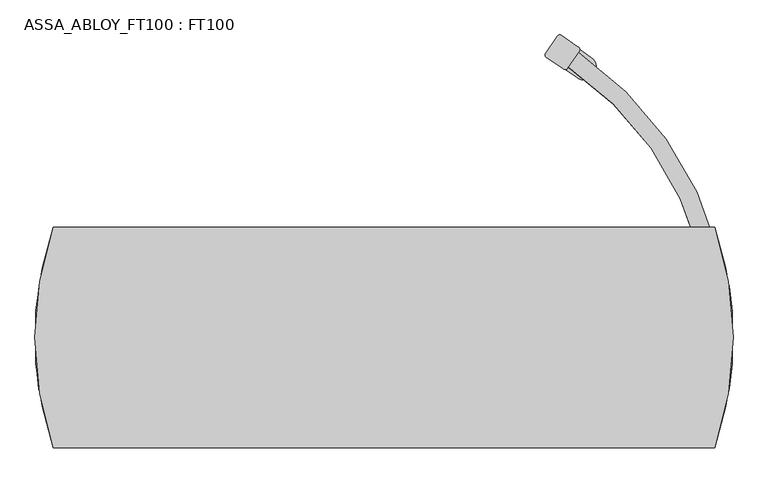
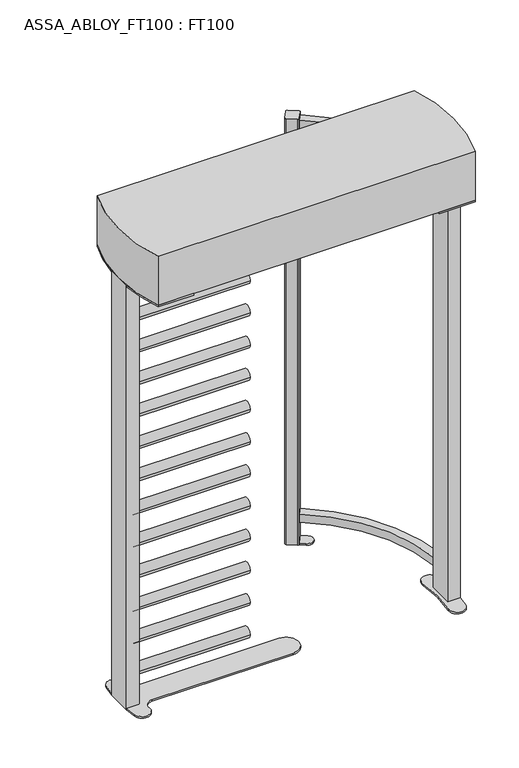
"""IFC4 building model written with IfcOpenShell, lengths in millimetres: proxy geometry, ASSA_ABLOY_FT100 : FT100."""

from ifc_helpers import new_model, si_unit, point, frame, frame_2d, origin, origin_with_axes, origin_2d, place, context, project, spatial, polyline, circle_curve, trimmed, segment, composite_curve, outline, extrude, source, transform, mapped, element, save


def assa_abloy_ft100_ft100_afc9a57b(model_context):
    return source(origin(), model_context, "Body", "SweptSolid", [
        extrude(outline(composite_curve([segment(polyline([(418.0774898, 613.5685405), (440.6012269, 646.6242702)]), True, "CONTINUOUS"), segment(trimmed(circle_curve(origin_2d(), 782.4655826), [point((440.6012269, 646.6242702))], [point((780.1617704, 60.0))], False, "CARTESIAN"), True, "CONTINUOUS"), segment(polyline([(780.1617704, 60.0), (740.0372567, 60.0)]), True, "CONTINUOUS"), segment(trimmed(circle_curve(origin_2d(), 742.4655826), [point((740.0372567, 60.0))], [point((418.0774898, 613.5685405))], True, "CARTESIAN"), True, "CONTINUOUS")], self_intersect=False)), frame((0.0, 0.0, 108.5), z_axis=(0.0, 0.0, 1.0), x_axis=(1.0, 0.0, 0.0)), (0.0, 0.0, 1.0), 40.0),
        extrude(outline(composite_curve([segment(polyline([(418.0774898, 613.5685405), (440.6012269, 646.6242702)]), True, "CONTINUOUS"), segment(trimmed(circle_curve(origin_2d(), 782.4655826), [point((440.6012269, 646.6242702))], [point((780.1617704, 60.0))], False, "CARTESIAN"), True, "CONTINUOUS"), segment(polyline([(780.1617704, 60.0), (740.0372567, 60.0)]), True, "CONTINUOUS"), segment(trimmed(circle_curve(origin_2d(), 742.4655826), [point((740.0372567, 60.0))], [point((418.0774898, 613.5685405))], True, "CARTESIAN"), True, "CONTINUOUS")], self_intersect=False)), frame((0.0, 0.0, 2077.0), z_axis=(0.0, 0.0, 1.0), x_axis=(1.0, 0.0, 0.0)), (0.0, 0.0, 1.0), 40.0),
        extrude(outline(composite_curve([segment(polyline([(401.9204923, 685.0022278), (440.9063153, 658.4378035)]), True, "CONTINUOUS"), segment(trimmed(circle_curve(frame_2d((437.3025174, 653.1488868)), 6.4), [point((440.9063153, 658.4378035))], [point((442.5914341, 649.5450888))], False, "CARTESIAN"), True, "CONTINUOUS"), segment(polyline([(442.5914341, 649.5450888), (416.0134244, 610.5393278)]), True, "CONTINUOUS"), segment(trimmed(circle_curve(frame_2d((410.7245076, 614.1431257)), 6.4), [point((416.0134244, 610.5393278))], [point((407.1207097, 608.854209))], False, "CARTESIAN"), True, "CONTINUOUS"), segment(polyline([(407.1207097, 608.854209), (368.1348866, 635.4186332)]), True, "CONTINUOUS"), segment(trimmed(circle_curve(frame_2d((371.7386846, 640.70755)), 6.4), [point((368.1348866, 635.4186332))], [point((366.4497678, 644.3113479))], False, "CARTESIAN"), True, "CONTINUOUS"), segment(polyline([(366.4497678, 644.3113479), (393.0277776, 683.317109)]), True, "CONTINUOUS"), segment(trimmed(circle_curve(frame_2d((398.3166943, 679.7133111)), 6.4), [point((393.0277776, 683.317109))], [point((401.9204923, 685.0022278))], False, "CARTESIAN"), True, "CONTINUOUS")], self_intersect=False)), origin_with_axes(), (0.0, 0.0, 1.0), 2130.0),
        extrude(outline(composite_curve([segment(polyline([(413.4988841, 606.8490005), (445.0321161, 653.1270221)]), True, "CONTINUOUS"), segment(trimmed(circle_curve(frame_2d((-0.0170756, -0.0250601)), 790.3647421), [point((445.0321161, 653.1270221))], [point((470.3897449, 635.1078778))], False, "CARTESIAN"), True, "CONTINUOUS"), segment(trimmed(circle_curve(frame_2d((453.7247922, 612.6072255)), 28.0), [point((470.3897449, 635.1078778))], [point((437.0598396, 590.1065732))], False, "CARTESIAN"), True, "CONTINUOUS"), segment(trimmed(circle_curve(frame_2d((-0.0170756, -0.0250601)), 734.3647421), [point((437.0598396, 590.1065732))], [point((413.4988841, 606.8490005))], True, "CARTESIAN"), True, "CONTINUOUS")], self_intersect=False)), origin_with_axes(), (0.0, 0.0, 1.0), 8.0),
        extrude(outline(polyline([(-790.0, 60.0), (-730.0, 60.0), (-730.0, -60.0), (-790.0, -60.0), (-790.0, 60.0)])), origin_with_axes(), (0.0, 0.0, 1.0), 2125.0),
        extrude(outline(composite_curve([segment(polyline([(-730.0, 60.0), (-789.5173279, 60.0)]), True, "CONTINUOUS"), segment(trimmed(circle_curve(frame_2d((-377.6697725, 40.0548858)), 412.3302275), [point((-789.5173279, 60.0))], [point((-782.6679317, 117.4674657))], False, "CARTESIAN"), True, "CONTINUOUS"), segment(trimmed(circle_curve(frame_2d((-744.9962379, 110.0240943)), 38.4000039), [point((-782.6679317, 117.4674657))], [point((-707.057831, 104.0879695))], False, "CARTESIAN"), True, "CONTINUOUS"), segment(trimmed(circle_curve(frame_2d((-669.3317737, 98.1850705)), 38.1850705), [point((-707.057831, 104.0879695))], [point((-669.3317737, 60.0))], True, "CARTESIAN"), True, "CONTINUOUS"), segment(polyline([(-669.3317737, 60.0), (0.0, 60.0)]), True, "CONTINUOUS"), segment(trimmed(circle_curve(origin_2d(), 60.0), [point((0.0, 60.0))], [point((0.0, -60.0))], False, "CARTESIAN"), True, "CONTINUOUS"), segment(polyline([(0.0, -60.0), (-669.3317737, -60.0)]), True, "CONTINUOUS"), segment(trimmed(circle_curve(frame_2d((-669.3317737, -98.1850705)), 38.1850705), [point((-669.3317737, -60.0))], [point((-707.0597086, -104.0759565))], True, "CARTESIAN"), True, "CONTINUOUS"), segment(trimmed(circle_curve(frame_2d((-745.0, -110.0)), 38.4), [point((-707.0597086, -104.0759565))], [point((-782.7222265, -117.1828705))], False, "CARTESIAN"), True, "CONTINUOUS"), segment(trimmed(circle_curve(frame_2d((-377.6697725, -40.0548858)), 412.3302275), [point((-782.7222265, -117.1828705))], [point((-789.5173279, -60.0))], False, "CARTESIAN"), True, "CONTINUOUS"), segment(polyline([(-789.5173279, -60.0), (-730.0, -60.0), (-730.0, 60.0)]), True, "CONTINUOUS")], self_intersect=False)), origin_with_axes(), (0.0, 0.0, 1.0), 8.0),
        extrude(outline(composite_curve([segment(trimmed(circle_curve(frame_2d((0.0, 143.0)), 25.5), [point((-25.5, 143.0))], [point((25.5, 143.0))], False, "CARTESIAN"), True, "CONTINUOUS"), segment(trimmed(circle_curve(frame_2d((0.0, 143.0)), 25.5), [point((25.5, 143.0))], [point((-25.5, 143.0))], False, "CARTESIAN"), True, "CONTINUOUS")], self_intersect=False)), frame((-730.0, 0.0, 0.0), z_axis=(1.0, 0.0, 0.0), x_axis=(0.0, 1.0, 0.0)), (0.0, 0.0, 1.0), 545.8),
        extrude(outline(composite_curve([segment(trimmed(circle_curve(frame_2d((0.0, 304.0)), 25.5), [point((-25.5, 304.0))], [point((25.5, 304.0))], False, "CARTESIAN"), True, "CONTINUOUS"), segment(trimmed(circle_curve(frame_2d((0.0, 304.0)), 25.5), [point((25.5, 304.0))], [point((-25.5, 304.0))], False, "CARTESIAN"), True, "CONTINUOUS")], self_intersect=False)), frame((-730.0, 0.0, 0.0), z_axis=(1.0, 0.0, 0.0), x_axis=(0.0, 1.0, 0.0)), (0.0, 0.0, 1.0), 545.8),
        extrude(outline(composite_curve([segment(trimmed(circle_curve(frame_2d((0.0, 465.0)), 25.5), [point((-25.5, 465.0))], [point((25.5, 465.0))], False, "CARTESIAN"), True, "CONTINUOUS"), segment(trimmed(circle_curve(frame_2d((0.0, 465.0)), 25.5), [point((25.5, 465.0))], [point((-25.5, 465.0))], False, "CARTESIAN"), True, "CONTINUOUS")], self_intersect=False)), frame((-730.0, 0.0, 0.0), z_axis=(1.0, 0.0, 0.0), x_axis=(0.0, 1.0, 0.0)), (0.0, 0.0, 1.0), 545.8),
        extrude(outline(composite_curve([segment(trimmed(circle_curve(frame_2d((0.0, 626.0)), 25.5), [point((-25.5, 626.0))], [point((25.5, 626.0))], False, "CARTESIAN"), True, "CONTINUOUS"), segment(trimmed(circle_curve(frame_2d((0.0, 626.0)), 25.5), [point((25.5, 626.0))], [point((-25.5, 626.0))], False, "CARTESIAN"), True, "CONTINUOUS")], self_intersect=False)), frame((-730.0, 0.0, 0.0), z_axis=(1.0, 0.0, 0.0), x_axis=(0.0, 1.0, 0.0)), (0.0, 0.0, 1.0), 545.8),
        extrude(outline(composite_curve([segment(trimmed(circle_curve(frame_2d((0.0, 787.0)), 25.5), [point((-25.5, 787.0))], [point((25.5, 787.0))], False, "CARTESIAN"), True, "CONTINUOUS"), segment(trimmed(circle_curve(frame_2d((0.0, 787.0)), 25.5), [point((25.5, 787.0))], [point((-25.5, 787.0))], False, "CARTESIAN"), True, "CONTINUOUS")], self_intersect=False)), frame((-730.0, 0.0, 0.0), z_axis=(1.0, 0.0, 0.0), x_axis=(0.0, 1.0, 0.0)), (0.0, 0.0, 1.0), 545.8),
        extrude(outline(composite_curve([segment(trimmed(circle_curve(frame_2d((0.0, 948.0)), 25.5), [point((-25.5, 948.0))], [point((25.5, 948.0))], False, "CARTESIAN"), True, "CONTINUOUS"), segment(trimmed(circle_curve(frame_2d((0.0, 948.0)), 25.5), [point((25.5, 948.0))], [point((-25.5, 948.0))], False, "CARTESIAN"), True, "CONTINUOUS")], self_intersect=False)), frame((-730.0, 0.0, 0.0), z_axis=(1.0, 0.0, 0.0), x_axis=(0.0, 1.0, 0.0)), (0.0, 0.0, 1.0), 545.8),
        extrude(outline(composite_curve([segment(trimmed(circle_curve(frame_2d((0.0, 1109.0)), 25.5), [point((-25.5, 1109.0))], [point((25.5, 1109.0))], False, "CARTESIAN"), True, "CONTINUOUS"), segment(trimmed(circle_curve(frame_2d((0.0, 1109.0)), 25.5), [point((25.5, 1109.0))], [point((-25.5, 1109.0))], False, "CARTESIAN"), True, "CONTINUOUS")], self_intersect=False)), frame((-730.0, 0.0, 0.0), z_axis=(1.0, 0.0, 0.0), x_axis=(0.0, 1.0, 0.0)), (0.0, 0.0, 1.0), 545.8),
        extrude(outline(composite_curve([segment(trimmed(circle_curve(frame_2d((0.0, 1270.0)), 25.5), [point((-25.5, 1270.0))], [point((25.5, 1270.0))], False, "CARTESIAN"), True, "CONTINUOUS"), segment(trimmed(circle_curve(frame_2d((0.0, 1270.0)), 25.5), [point((25.5, 1270.0))], [point((-25.5, 1270.0))], False, "CARTESIAN"), True, "CONTINUOUS")], self_intersect=False)), frame((-730.0, 0.0, 0.0), z_axis=(1.0, 0.0, 0.0), x_axis=(0.0, 1.0, 0.0)), (0.0, 0.0, 1.0), 545.8),
        extrude(outline(composite_curve([segment(trimmed(circle_curve(frame_2d((0.0, 1431.0)), 25.5), [point((-25.5, 1431.0))], [point((25.5, 1431.0))], False, "CARTESIAN"), True, "CONTINUOUS"), segment(trimmed(circle_curve(frame_2d((0.0, 1431.0)), 25.5), [point((25.5, 1431.0))], [point((-25.5, 1431.0))], False, "CARTESIAN"), True, "CONTINUOUS")], self_intersect=False)), frame((-730.0, 0.0, 0.0), z_axis=(1.0, 0.0, 0.0), x_axis=(0.0, 1.0, 0.0)), (0.0, 0.0, 1.0), 545.8),
        extrude(outline(composite_curve([segment(trimmed(circle_curve(frame_2d((0.0, 1592.0)), 25.5), [point((-25.5, 1592.0))], [point((25.5, 1592.0))], False, "CARTESIAN"), True, "CONTINUOUS"), segment(trimmed(circle_curve(frame_2d((0.0, 1592.0)), 25.5), [point((25.5, 1592.0))], [point((-25.5, 1592.0))], False, "CARTESIAN"), True, "CONTINUOUS")], self_intersect=False)), frame((-730.0, 0.0, 0.0), z_axis=(1.0, 0.0, 0.0), x_axis=(0.0, 1.0, 0.0)), (0.0, 0.0, 1.0), 545.8),
        extrude(outline(composite_curve([segment(trimmed(circle_curve(frame_2d((0.0, 1753.0)), 25.5), [point((-25.5, 1753.0))], [point((25.5, 1753.0))], False, "CARTESIAN"), True, "CONTINUOUS"), segment(trimmed(circle_curve(frame_2d((0.0, 1753.0)), 25.5), [point((25.5, 1753.0))], [point((-25.5, 1753.0))], False, "CARTESIAN"), True, "CONTINUOUS")], self_intersect=False)), frame((-730.0, 0.0, 0.0), z_axis=(1.0, 0.0, 0.0), x_axis=(0.0, 1.0, 0.0)), (0.0, 0.0, 1.0), 545.8),
        extrude(outline(composite_curve([segment(trimmed(circle_curve(frame_2d((0.0, 1914.0)), 25.5), [point((-25.5, 1914.0))], [point((25.5, 1914.0))], False, "CARTESIAN"), True, "CONTINUOUS"), segment(trimmed(circle_curve(frame_2d((0.0, 1914.0)), 25.5), [point((25.5, 1914.0))], [point((-25.5, 1914.0))], False, "CARTESIAN"), True, "CONTINUOUS")], self_intersect=False)), frame((-730.0, 0.0, 0.0), z_axis=(1.0, 0.0, 0.0), x_axis=(0.0, 1.0, 0.0)), (0.0, 0.0, 1.0), 545.8),
        extrude(outline(composite_curve([segment(trimmed(circle_curve(frame_2d((0.0, 2075.0)), 25.5), [point((-25.5, 2075.0))], [point((25.5, 2075.0))], False, "CARTESIAN"), True, "CONTINUOUS"), segment(trimmed(circle_curve(frame_2d((0.0, 2075.0)), 25.5), [point((25.5, 2075.0))], [point((-25.5, 2075.0))], False, "CARTESIAN"), True, "CONTINUOUS")], self_intersect=False)), frame((-730.0, 0.0, 0.0), z_axis=(1.0, 0.0, 0.0), x_axis=(0.0, 1.0, 0.0)), (0.0, 0.0, 1.0), 545.8),
        extrude(outline(composite_curve([segment(polyline([(-580.6, 249.999079), (-580.6, -249.999079), (-749.9571641, -249.999079)]), True, "CONTINUOUS"), segment(trimmed(circle_curve(frame_2d((-27.7, -0.000921)), 764.3), [point((-749.9571641, -249.999079))], [point((-789.6413367, -60.0))], False, "CARTESIAN"), True, "CONTINUOUS"), segment(polyline([(-789.6413367, -60.0), (-730.0260248, -60.0), (-730.0260248, 60.0), (-789.6411916, 60.0)]), True, "CONTINUOUS"), segment(trimmed(circle_curve(frame_2d((-27.7, -0.000921)), 764.3), [point((-789.6411916, 60.0))], [point((-749.9565265, 249.999079))], False, "CARTESIAN"), True, "CONTINUOUS"), segment(polyline([(-749.9565265, 249.999079), (-580.6, 249.999079)]), True, "CONTINUOUS")], self_intersect=False)), frame((0.0, 0.0, 2117.0), z_axis=(0.0, 0.0, 1.0), x_axis=(1.0, 0.0, 0.0)), (0.0, 0.0, 1.0), 8.0),
        extrude(outline(composite_curve([segment(polyline([(580.6, 249.999079), (749.9565269, 249.999079)]), True, "CONTINUOUS"), segment(trimmed(circle_curve(frame_2d((27.7, 0.1034443)), 764.2658692), [point((749.9565269, 249.999079))], [point((789.6151668, 60.0))], False, "CARTESIAN"), True, "CONTINUOUS"), segment(polyline([(789.6151668, 60.0), (730.0, 60.0), (730.0, -60.0), (789.667361, -60.0)]), True, "CONTINUOUS"), segment(trimmed(circle_curve(frame_2d((27.7, 0.1034443)), 764.3341437), [point((789.667361, -60.0))], [point((749.9571641, -249.999079))], False, "CARTESIAN"), True, "CONTINUOUS"), segment(polyline([(749.9571641, -249.999079), (580.6, -249.999079), (580.6, 249.999079)]), True, "CONTINUOUS")], self_intersect=False)), frame((0.0, 0.0, 2117.0), z_axis=(0.0, 0.0, 1.0), x_axis=(1.0, 0.0, 0.0)), (0.0, 0.0, 1.0), 8.0),
        extrude(outline(composite_curve([segment(trimmed(circle_curve(frame_2d((27.7, -0.000921)), 764.3), [point((749.9565265, 249.999079))], [point((749.9571641, -249.999079))], False, "CARTESIAN"), True, "CONTINUOUS"), segment(polyline([(749.9571641, -249.999079), (-749.9571641, -249.999079)]), True, "CONTINUOUS"), segment(trimmed(circle_curve(frame_2d((-27.7, -0.000921)), 764.3), [point((-749.9571641, -249.999079))], [point((-749.9565265, 249.999079))], False, "CARTESIAN"), True, "CONTINUOUS"), segment(polyline([(-749.9565265, 249.999079), (749.9565265, 249.999079)]), True, "CONTINUOUS")], self_intersect=False)), frame((0.0, 0.0, 2125.0), z_axis=(0.0, 0.0, 1.0), x_axis=(1.0, 0.0, 0.0)), (0.0, 0.0, 1.0), 245.0),
        extrude(outline(composite_curve([segment(polyline([(730.0, 60.0), (730.0, -60.0), (789.7316667, -60.0)]), True, "CONTINUOUS"), segment(trimmed(circle_curve(frame_2d((40.1285881, 0.0)), 752.0005156), [point((789.7316667, -60.0))], [point((783.1410351, -115.9192782))], False, "CARTESIAN"), True, "CONTINUOUS"), segment(trimmed(circle_curve(frame_2d((745.2, -110.0)), 38.4), [point((783.1410351, -115.9192782))], [point((707.2118538, -104.391012))], False, "CARTESIAN"), True, "CONTINUOUS"), segment(trimmed(circle_curve(frame_2d((0.2, 0.0)), 714.6770213), [point((707.2118538, -104.391012))], [point((707.2118538, 104.391012))], True, "CARTESIAN"), True, "CONTINUOUS"), segment(trimmed(circle_curve(frame_2d((745.2, 110.0)), 38.4), [point((707.2118538, 104.391012))], [point((783.1410351, 115.9192782))], False, "CARTESIAN"), True, "CONTINUOUS"), segment(trimmed(circle_curve(frame_2d((40.1285881, 0.0)), 752.0005156), [point((783.1410351, 115.9192782))], [point((789.7316667, 60.0))], False, "CARTESIAN"), True, "CONTINUOUS"), segment(polyline([(789.7316667, 60.0), (730.0, 60.0)]), True, "CONTINUOUS")], self_intersect=False)), origin_with_axes(), (0.0, 0.0, 1.0), 8.0),
        extrude(outline(polyline([(790.0, 60.0), (790.0, -60.0), (730.0, -60.0), (730.0, 60.0), (790.0, 60.0)])), origin_with_axes(), (0.0, 0.0, 1.0), 2125.0),
    ])


if __name__ == "__main__":
    model = new_model("IFC4")
    model_context = context("Model", 3, world=origin())
    ifc_project = project(units=[si_unit("LENGTHUNIT", "METRE", prefix="MILLI")], contexts=[model_context])
    site = spatial("IfcSite", under=ifc_project)
    building = spatial("IfcBuilding", under=site)
    placement = place(None, origin())
    assa_abloy_ft100_ft100_shape = assa_abloy_ft100_ft100_afc9a57b(model_context)
    element("IfcBuildingElementProxy", 1, Name="ASSA_ABLOY_FT100 : FT100", ObjectType="ASSA_ABLOY_FT100 : FT100", at=placement, inside=building, context=model_context, shape_type="MappedRepresentation", body=[
        mapped(assa_abloy_ft100_ft100_shape, transform((0.0, 0.0, 0.0), x_axis=(1.0, 0.0, 0.0), y_axis=(0.0, 1.0, 0.0), z_axis=(0.0, 0.0, 1.0))),
    ])
    save(model, "model.ifc")
